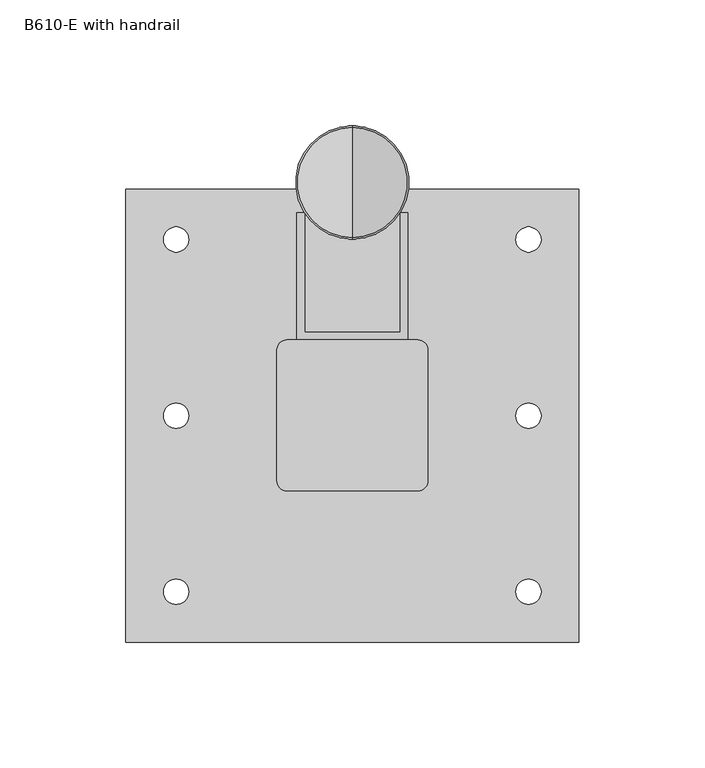
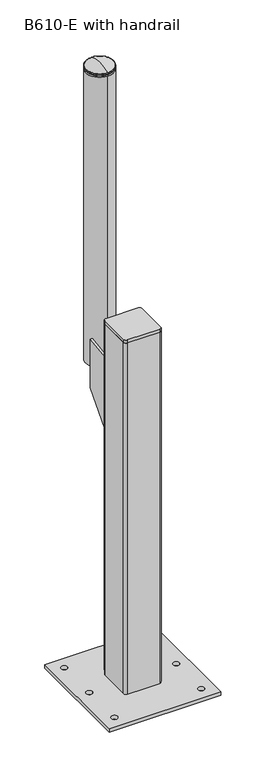
"""IFC4 building model written with IfcOpenShell, lengths in millimetres: proxy geometry, B610-E with handrail."""

from ifc_helpers import new_model, si_unit, point, frame, frame_2d, origin, origin_with_axes, place, context, project, spatial, polyline, circle_curve, ellipse_curve, trimmed, segment, composite_curve, outline, extrude, faceted_brep, source, transform, mapped, element, save
from ifc_brep_helpers import plane_surface, cylinder_surface, revolved_surface, advanced_brep


def b610_e_with_handrail_3ced222a(model_context):
    return source(origin(), model_context, "Body", "SolidModel", [
        extrude(outline(composite_curve([segment(trimmed(circle_curve(frame_2d((26.0, 26.0)), 4.0), [point((26.0, 30.0))], [point((30.0, 26.0))], False, "CARTESIAN"), True, "CONTINUOUS"), segment(polyline([(30.0, 26.0), (30.0, -26.0)]), True, "CONTINUOUS"), segment(trimmed(circle_curve(frame_2d((26.0, -26.0)), 4.0), [point((30.0, -26.0))], [point((26.0, -30.0))], False, "CARTESIAN"), True, "CONTINUOUS"), segment(polyline([(26.0, -30.0), (-26.0, -30.0)]), True, "CONTINUOUS"), segment(trimmed(circle_curve(frame_2d((-26.0, -26.0)), 4.0), [point((-26.0, -30.0))], [point((-30.0, -26.0))], False, "CARTESIAN"), True, "CONTINUOUS"), segment(polyline([(-30.0, -26.0), (-30.0, 26.0)]), True, "CONTINUOUS"), segment(trimmed(circle_curve(frame_2d((-26.0, 26.0)), 4.0), [point((-30.0, 26.0))], [point((-26.0, 30.0))], False, "CARTESIAN"), True, "CONTINUOUS"), segment(polyline([(-26.0, 30.0), (26.0, 30.0)]), True, "CONTINUOUS")], self_intersect=False)), frame((0.0, 0.0, 605.0), z_axis=(0.0, 0.0, 1.0), x_axis=(1.0, 0.0, 0.0)), (0.0, 0.0, 1.0), 5.0),
        faceted_brep([(19.0, 80.5, 543.0), (19.0, 80.5, 460.0), (19.0, 40.0, 415.0), (19.0, 33.0, 415.0), (19.0, 33.0, 536.7698286), (22.0, 30.0, 536.3763441), (22.0, 30.0, 415.0), (22.0, 40.0, 415.0), (22.0, 80.5, 460.0), (22.0, 80.5, 543.0), (-19.0, 33.0, 536.7698286), (-19.0, 80.5, 543.0), (-22.0, 80.5, 543.0), (-22.0, 30.0, 536.3763441), (-22.0, 30.0, 415.0), (-22.0, 40.0, 415.0), (-19.0, 40.0, 415.0), (-19.0, 33.0, 415.0), (-22.0, 80.5, 460.0), (-19.0, 80.5, 460.0)], [[[0, 1, 2, 3, 4]], [[5, 6, 7, 8, 9]], [[9, 0, 4, 10, 11, 12, 13, 5]], [[1, 0, 9, 8]], [[2, 1, 8, 7]], [[2, 7, 6, 14, 15, 16, 17, 3]], [[14, 6, 5, 13]], [[13, 12, 18, 15, 14]], [[16, 19, 11, 10, 17]], [[18, 12, 11, 19]], [[15, 18, 19, 16]], [[4, 3, 17, 10]]]),
        advanced_brep(
        [(0.0, 70.0, 990.0), (0.0, 115.0, 990.0), (0.0, 92.5, 990.0), (0.0, 70.0, 992.0), (0.0, 115.0, 992.0), (0.0, 71.0, 992.0), (0.0, 114.0, 992.0), (0.0, 71.0, 993.0), (0.0, 114.0, 993.0), (0.0, 70.0, 993.0), (0.0, 115.0, 993.0), (0.0, 70.0, 994.3593724), (0.0, 115.0, 994.3593724), (0.0, 70.58753, 995.2703436), (0.0, 114.41247, 995.2703436), (0.0, 92.5, 1000.0)],
        [
            (0, 1, circle_curve(frame((0.0, 92.5, 990.0), z_axis=(0.0, 0.0, -1.0), x_axis=(0.0, 1.0, 0.0)), 22.5)),
            (1, 2),
            (2, 0),
            (1, 0, circle_curve(frame((0.0, 92.5, 990.0), z_axis=(0.0, 0.0, -1.0), x_axis=(0.0, 1.0, 0.0)), 22.5)),
            (3, 4, circle_curve(frame((0.0, 92.5, 992.0), z_axis=(0.0, 0.0, -1.0), x_axis=(0.0, 1.0, 0.0)), 22.5)),
            (4, 1),
            (0, 3),
            (4, 3, circle_curve(frame((0.0, 92.5, 992.0), z_axis=(0.0, 0.0, -1.0), x_axis=(0.0, 1.0, 0.0)), 22.5)),
            (5, 6, circle_curve(frame((0.0, 92.5, 992.0), z_axis=(0.0, 0.0, -1.0), x_axis=(0.0, 1.0, 0.0)), 21.5)),
            (6, 4),
            (3, 5),
            (6, 5, circle_curve(frame((0.0, 92.5, 992.0), z_axis=(0.0, 0.0, -1.0), x_axis=(0.0, 1.0, 0.0)), 21.5)),
            (7, 8, circle_curve(frame((0.0, 92.5, 993.0), z_axis=(0.0, 0.0, -1.0), x_axis=(0.0, 1.0, 0.0)), 21.5)),
            (8, 6),
            (5, 7),
            (8, 7, circle_curve(frame((0.0, 92.5, 993.0), z_axis=(0.0, 0.0, -1.0), x_axis=(0.0, 1.0, 0.0)), 21.5)),
            (9, 10, circle_curve(frame((0.0, 92.5, 993.0), z_axis=(0.0, 0.0, -1.0), x_axis=(0.0, 1.0, 0.0)), 22.5)),
            (10, 8),
            (7, 9),
            (10, 9, circle_curve(frame((0.0, 92.5, 993.0), z_axis=(0.0, 0.0, -1.0), x_axis=(0.0, 1.0, 0.0)), 22.5)),
            (11, 12, circle_curve(frame((0.0, 92.5, 994.3593724), z_axis=(0.0, 0.0, -1.0), x_axis=(0.0, 1.0, 0.0)), 22.5)),
            (12, 10),
            (9, 11),
            (12, 11, circle_curve(frame((0.0, 92.5, 994.3593724), z_axis=(0.0, 0.0, -1.0), x_axis=(0.0, 1.0, 0.0)), 22.5)),
            (13, 14, circle_curve(frame((0.0, 92.5, 995.2703436), z_axis=(0.0, 0.0, -1.0), x_axis=(0.0, 1.0, 0.0)), 21.91247)),
            (14, 12, circle_curve(frame((0.0, 114.0, 994.3593724), z_axis=(-1.0, 0.0, 0.0), x_axis=(0.0, 1.0, 0.0)), 1.0)),
            (11, 13, circle_curve(frame((0.0, 71.0, 994.3593724), z_axis=(-1.0, 0.0, 0.0), x_axis=(0.0, -1.0, 0.0)), 1.0)),
            (14, 13, circle_curve(frame((0.0, 92.5, 995.2703436), z_axis=(0.0, 0.0, -1.0), x_axis=(0.0, 1.0, 0.0)), 21.91247)),
            (15, 14, circle_curve(frame((0.0, 92.5, 946.875), z_axis=(-1.0, 0.0, 0.0), x_axis=(0.0, 1.0, 0.0)), 53.125)),
            (13, 15, circle_curve(frame((0.0, 92.5, 946.875), z_axis=(-1.0, 0.0, 0.0), x_axis=(0.0, -1.0, 0.0)), 53.125)),
        ],
        [
            plane_surface(frame((0.0, 92.5, 990.0), z_axis=(0.0, 0.0, -1.0), x_axis=(0.0, 1.0, 0.0))),
            cylinder_surface(frame((0.0, 92.5, 1162.6710842), z_axis=(0.0, 0.0, 1.0), x_axis=(0.0, 1.0, 0.0)), 22.5),
            plane_surface(frame((0.0, 92.5, 992.0), z_axis=(0.0, 0.0, 1.0), x_axis=(0.0, 1.0, 0.0))),
            cylinder_surface(frame((0.0, 92.5, 1162.6710842), z_axis=(0.0, 0.0, 1.0), x_axis=(0.0, 1.0, 0.0)), 21.5),
            plane_surface(frame((0.0, 92.5, 993.0), z_axis=(0.0, 0.0, -1.0), x_axis=(0.0, 1.0, 0.0))),
            revolved_surface(trimmed(ellipse_curve(frame((0.0, 114.0, 994.3593724), z_axis=(1.0, 0.0, 0.0), x_axis=(0.0, 1.0, 0.0)), 1.0, 1.0), [point((0.0, 115.0, 994.3593724))], [point((0.0, 114.41247, 995.2703436))], True, "CARTESIAN"), (0.0, 92.5, 1162.6710842), (0.0, 0.0, 1.0)),
            revolved_surface(trimmed(ellipse_curve(frame((0.0, 92.5, 946.875), z_axis=(1.0, 0.0, 0.0), x_axis=(0.0, 1.0, 0.0)), 53.125, 53.125), [point((0.0, 114.41247, 995.2703436))], [point((0.0, 92.5, 1000.0))], True, "CARTESIAN"), (0.0, 92.5, 1162.6710842), (0.0, 0.0, 1.0)),
        ],
        [
            (0, [[1, 2, 3]]),
            (0, [[4, -3, -2]]),
            (1, [[5, 6, -1, 7]]),
            (1, [[8, -7, -4, -6]]),
            (2, [[9, 10, -5, 11]]),
            (2, [[12, -11, -8, -10]]),
            (3, [[13, 14, -9, 15]]),
            (3, [[16, -15, -12, -14]]),
            (4, [[17, 18, -13, 19]]),
            (4, [[20, -19, -16, -18]]),
            (1, [[21, 22, -17, 23]]),
            (1, [[24, -23, -20, -22]]),
            (5, [[25, 26, -21, 27]]),
            (5, [[28, -27, -24, -26]]),
            (6, [[29, -25, 30]]),
            (6, [[-30, -28, -29]]),
        ],
    ),
        extrude(outline(composite_curve([segment(trimmed(circle_curve(frame_2d((0.0, 92.5)), 22.5), [point((0.0, 70.0))], [point((0.0, 115.0))], False, "CARTESIAN"), True, "CONTINUOUS"), segment(trimmed(circle_curve(frame_2d((0.0, 92.5)), 22.5), [point((0.0, 115.0))], [point((0.0, 70.0))], False, "CARTESIAN"), True, "CONTINUOUS")], self_intersect=False)), frame((0.0, 0.0, 495.0), z_axis=(0.0, 0.0, 1.0), x_axis=(1.0, 0.0, 0.0)), (0.0, 0.0, 1.0), 495.0),
        extrude(outline(composite_curve([segment(polyline([(-30.0, -26.0), (-30.0, 26.0)]), True, "CONTINUOUS"), segment(trimmed(circle_curve(frame_2d((-26.0, 26.0)), 4.0), [point((-30.0, 26.0))], [point((-26.0, 30.0))], False, "CARTESIAN"), True, "CONTINUOUS"), segment(polyline([(-26.0, 30.0), (26.0, 30.0)]), True, "CONTINUOUS"), segment(trimmed(circle_curve(frame_2d((26.0, 26.0)), 4.0), [point((26.0, 30.0))], [point((30.0, 26.0))], False, "CARTESIAN"), True, "CONTINUOUS"), segment(polyline([(30.0, 26.0), (30.0, -26.0)]), True, "CONTINUOUS"), segment(trimmed(circle_curve(frame_2d((26.0, -26.0)), 4.0), [point((30.0, -26.0))], [point((26.0, -30.0))], False, "CARTESIAN"), True, "CONTINUOUS"), segment(polyline([(26.0, -30.0), (-26.0, -30.0)]), True, "CONTINUOUS"), segment(trimmed(circle_curve(frame_2d((-26.0, -26.0)), 4.0), [point((-26.0, -30.0))], [point((-30.0, -26.0))], False, "CARTESIAN"), True, "CONTINUOUS")], self_intersect=False), holes=[composite_curve([segment(polyline([(24.0, 26.0), (-24.0, 26.0)]), True, "CONTINUOUS"), segment(trimmed(circle_curve(frame_2d((-24.0, 24.0)), 2.0), [point((-24.0, 26.0))], [point((-26.0, 24.0))], True, "CARTESIAN"), True, "CONTINUOUS"), segment(polyline([(-26.0, 24.0), (-26.0, -24.0)]), True, "CONTINUOUS"), segment(trimmed(circle_curve(frame_2d((-24.0, -24.0)), 2.0), [point((-26.0, -24.0))], [point((-24.0, -26.0))], True, "CARTESIAN"), True, "CONTINUOUS"), segment(polyline([(-24.0, -26.0), (24.0, -26.0)]), True, "CONTINUOUS"), segment(trimmed(circle_curve(frame_2d((24.0, -24.0)), 2.0), [point((24.0, -26.0))], [point((26.0, -24.0))], True, "CARTESIAN"), True, "CONTINUOUS"), segment(polyline([(26.0, -24.0), (26.0, 24.0)]), True, "CONTINUOUS"), segment(trimmed(circle_curve(frame_2d((24.0, 24.0)), 2.0), [point((26.0, 24.0))], [point((24.0, 26.0))], True, "CARTESIAN"), True, "CONTINUOUS")], self_intersect=False)]), frame((0.0, 0.0, 6.0), z_axis=(0.0, 0.0, 1.0), x_axis=(1.0, 0.0, 0.0)), (0.0, 0.0, 1.0), 599.0),
        extrude(outline(polyline([(90.0, 90.0), (90.0, -90.0), (-90.0, -90.0), (-90.0, 90.0), (90.0, 90.0)]), holes=[composite_curve([segment(trimmed(circle_curve(frame_2d((-70.0, 70.0)), 5.0), [point((-75.0, 70.0))], [point((-65.0, 70.0))], True, "CARTESIAN"), True, "CONTINUOUS"), segment(trimmed(circle_curve(frame_2d((-70.0, 70.0)), 5.0), [point((-65.0, 70.0))], [point((-75.0, 70.0))], True, "CARTESIAN"), True, "CONTINUOUS")], self_intersect=False), composite_curve([segment(trimmed(circle_curve(frame_2d((-70.0, 0.0)), 5.0), [point((-75.0, 0.0))], [point((-65.0, 0.0))], True, "CARTESIAN"), True, "CONTINUOUS"), segment(trimmed(circle_curve(frame_2d((-70.0, 0.0)), 5.0), [point((-65.0, 0.0))], [point((-75.0, 0.0))], True, "CARTESIAN"), True, "CONTINUOUS")], self_intersect=False), composite_curve([segment(trimmed(circle_curve(frame_2d((-70.0, -70.0)), 5.0), [point((-75.0, -70.0))], [point((-65.0, -70.0))], True, "CARTESIAN"), True, "CONTINUOUS"), segment(trimmed(circle_curve(frame_2d((-70.0, -70.0)), 5.0), [point((-65.0, -70.0))], [point((-75.0, -70.0))], True, "CARTESIAN"), True, "CONTINUOUS")], self_intersect=False), composite_curve([segment(trimmed(circle_curve(frame_2d((70.0, -70.0)), 5.0), [point((65.0, -70.0))], [point((75.0, -70.0))], True, "CARTESIAN"), True, "CONTINUOUS"), segment(trimmed(circle_curve(frame_2d((70.0, -70.0)), 5.0), [point((75.0, -70.0))], [point((65.0, -70.0))], True, "CARTESIAN"), True, "CONTINUOUS")], self_intersect=False), composite_curve([segment(trimmed(circle_curve(frame_2d((70.0, 0.0)), 5.0), [point((65.0, 0.0))], [point((75.0, 0.0))], True, "CARTESIAN"), True, "CONTINUOUS"), segment(trimmed(circle_curve(frame_2d((70.0, 0.0)), 5.0), [point((75.0, 0.0))], [point((65.0, 0.0))], True, "CARTESIAN"), True, "CONTINUOUS")], self_intersect=False), composite_curve([segment(trimmed(circle_curve(frame_2d((70.0, 70.0)), 5.0), [point((65.0, 70.0))], [point((75.0, 70.0))], True, "CARTESIAN"), True, "CONTINUOUS"), segment(trimmed(circle_curve(frame_2d((70.0, 70.0)), 5.0), [point((75.0, 70.0))], [point((65.0, 70.0))], True, "CARTESIAN"), True, "CONTINUOUS")], self_intersect=False)]), origin_with_axes(), (0.0, 0.0, 1.0), 6.0),
    ])


if __name__ == "__main__":
    model = new_model("IFC4")
    model_context = context("Model", 3, world=origin())
    ifc_project = project(units=[si_unit("LENGTHUNIT", "METRE", prefix="MILLI")], contexts=[model_context])
    site = spatial("IfcSite", under=ifc_project)
    building = spatial("IfcBuilding", under=site)
    placement = place(None, origin())
    b610_e_with_handrail_shape = b610_e_with_handrail_3ced222a(model_context)
    element("IfcBuildingElementProxy", 1, Name="B610-E with handrail", ObjectType="B610-E with handrail", at=placement, inside=building, context=model_context, shape_type="MappedRepresentation", body=[
        mapped(b610_e_with_handrail_shape, transform((0.0, 0.0, 0.0), x_axis=(1.0, 0.0, 0.0), y_axis=(0.0, 1.0, 0.0), z_axis=(0.0, 0.0, 1.0))),
    ])
    save(model, "model.ifc")
